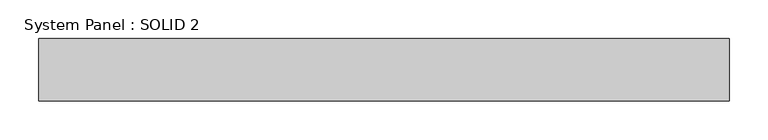
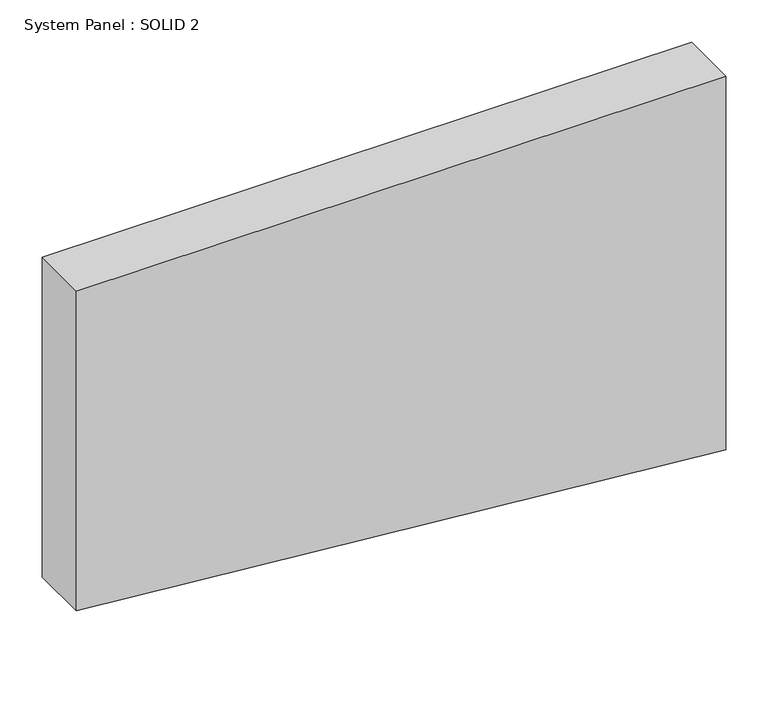
"""IFC4 building model written with IfcOpenShell, lengths in millimetres: plate geometry, System Panel : SOLID 2."""

from ifc_helpers import new_model, si_unit, frame, origin, place, context, project, spatial, polyline, outline, extrude, source, transform, mapped, element, save


def system_panel_solid_2_b6a781eb(model_context):
    return source(origin(), model_context, "Body", "SweptSolid", [
        extrude(outline(polyline([(77.4274672, -442.5), (0.0, 442.5), (538.2057878, 442.5), (538.2057878, -442.5), (77.4274672, -442.5)])), frame((0.0, 80.0, 0.0), z_axis=(0.0, 1.0, 0.0), x_axis=(0.0, 0.0, 1.0)), (0.0, 0.0, 1.0), 80.0),
    ])


if __name__ == "__main__":
    model = new_model("IFC4")
    model_context = context("Model", 3, world=origin())
    ifc_project = project(units=[si_unit("LENGTHUNIT", "METRE", prefix="MILLI")], contexts=[model_context])
    site = spatial("IfcSite", under=ifc_project)
    building = spatial("IfcBuilding", under=site)
    placement = place(None, origin())
    system_panel_solid_2_shape = system_panel_solid_2_b6a781eb(model_context)
    element("IfcPlate", 1, ObjectType="System Panel : SOLID 2", at=placement, inside=building, context=model_context, shape_type="MappedRepresentation", body=[
        mapped(system_panel_solid_2_shape, transform((0.0, 0.0, 0.0), x_axis=(1.0, 0.0, 0.0), y_axis=(0.0, 1.0, 0.0), z_axis=(0.0, 0.0, 1.0))),
    ])
    save(model, "model.ifc")
